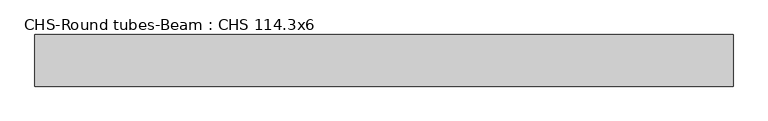
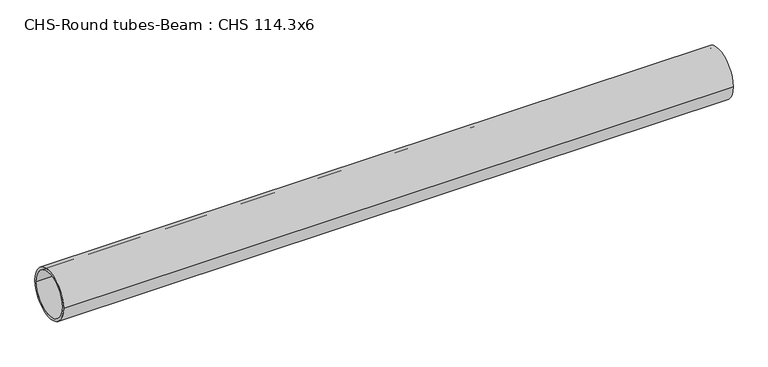
"""IFC4 building model written with IfcOpenShell, lengths in millimetres: beam geometry, CHS-Round tubes-Beam : CHS 114.3x6."""

from ifc_helpers import new_model, si_unit, point, frame, origin, origin_2d, place, context, project, spatial, circle_curve, trimmed, segment, composite_curve, outline, extrude, source, transform, mapped, element, save


def chs_round_tubes_beam_chs_114_3x6_1444a9c3(model_context):
    return source(origin(), model_context, "Body", "SweptSolid", [
        extrude(outline(composite_curve([segment(trimmed(circle_curve(origin_2d(), 57.15), [point((57.15, 0.0))], [point((-57.15, 0.0))], False, "CARTESIAN"), True, "CONTINUOUS"), segment(trimmed(circle_curve(origin_2d(), 57.15), [point((-57.15, 0.0))], [point((57.15, 0.0))], False, "CARTESIAN"), True, "CONTINUOUS")], self_intersect=False), holes=[composite_curve([segment(trimmed(circle_curve(origin_2d(), 51.15), [point((51.15, 0.0))], [point((-51.15, 0.0))], True, "CARTESIAN"), True, "CONTINUOUS"), segment(trimmed(circle_curve(origin_2d(), 51.15), [point((-51.15, 0.0))], [point((51.15, 0.0))], True, "CARTESIAN"), True, "CONTINUOUS")], self_intersect=False)]), frame((-763.2218877, 0.0, 0.0), z_axis=(1.0, 0.0, 0.0), x_axis=(0.0, 1.0, 0.0)), (0.0, 0.0, 1.0), 1544.4431025),
    ])


if __name__ == "__main__":
    model = new_model("IFC4")
    model_context = context("Model", 3, world=origin())
    ifc_project = project(units=[si_unit("LENGTHUNIT", "METRE", prefix="MILLI")], contexts=[model_context])
    site = spatial("IfcSite", under=ifc_project)
    building = spatial("IfcBuilding", under=site)
    placement = place(None, origin())
    chs_round_tubes_beam_chs_114_3x6_shape = chs_round_tubes_beam_chs_114_3x6_1444a9c3(model_context)
    element("IfcBeam", 1, ObjectType="CHS-Round tubes-Beam : CHS 114.3x6", at=placement, inside=building, context=model_context, shape_type="MappedRepresentation", body=[
        mapped(chs_round_tubes_beam_chs_114_3x6_shape, transform((0.0, 0.0, 0.0), x_axis=(1.0, 0.0, 0.0), y_axis=(0.0, 1.0, 0.0), z_axis=(0.0, 0.0, 1.0))),
    ])
    save(model, "model.ifc")
